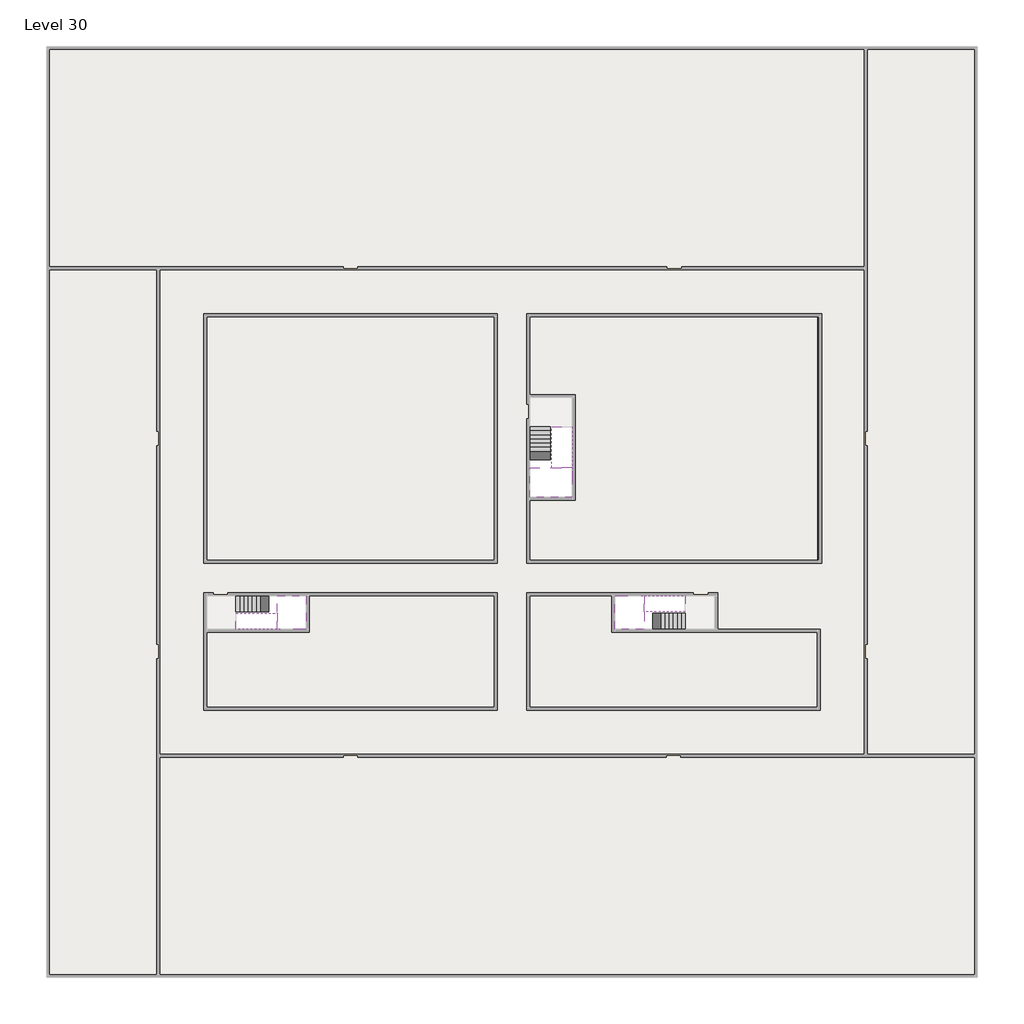
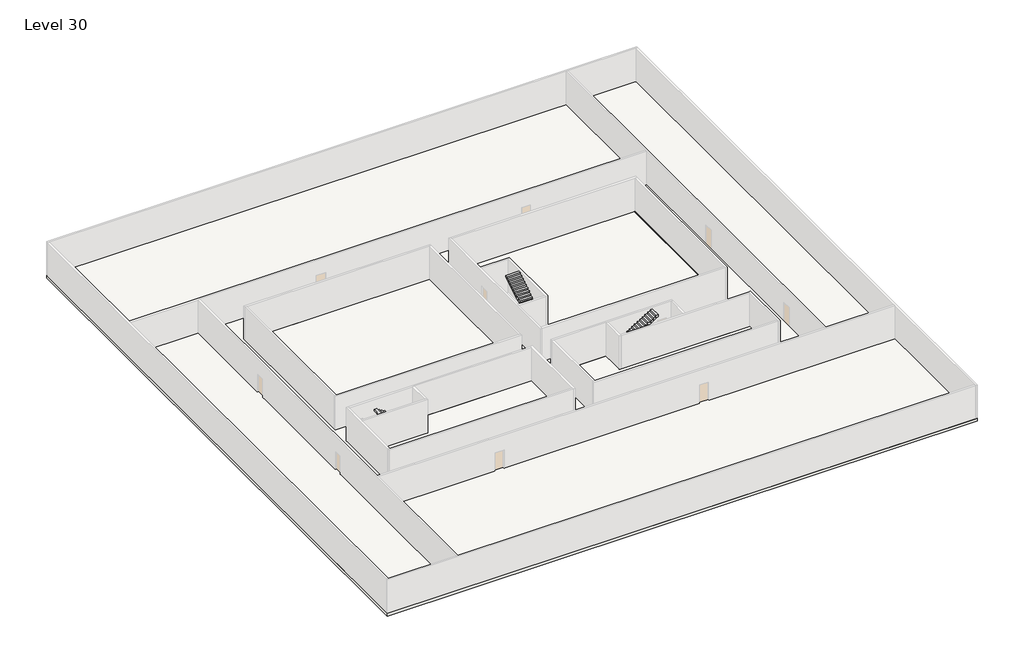
# One storey, part 2 of 2: 6 stair flights, 5 slabs.
"""IFC4 building model written with IfcOpenShell, lengths in millimetres."""

from ifc_helpers import new_model, si_unit, frame, origin, place, context, project, spatial, polyline, outline, extrude, faceted_brep, element, save

model = new_model("IFC4")

# Units and contexts
model_context = context("Model", 3, world=origin())
ifc_project = project(units=[si_unit("LENGTHUNIT", "METRE", prefix="MILLI")], contexts=[model_context])

# Site, building, storey
site = spatial("IfcSite", under=ifc_project)
building = spatial("IfcBuilding", under=site)
storey = spatial("IfcBuildingStorey", under=building, Name="Level 30", Elevation=110200.0)

# Slabs
placement = place(None, origin())
element("IfcSlab", 1, at=placement, inside=storey, context=model_context, shape_type="Brep", body=[
    faceted_brep([(8190.1058784, -42918.09644, 112100.0), (8190.1058784, -44018.09644, 112100.0), (8190.1058784, -44118.09644, 112100.0), (8190.1058784, -45218.09644, 112100.0), (8390.7194421, -45218.09644, 112100.0), (10190.1058784, -45218.09644, 112100.0), (10190.1058784, -42918.09644, 112100.0), (8269.4923146, -42918.09644, 112100.0), (8190.1058784, -42918.09644, 111927.2727273), (8190.1058784, -42918.09644, 111751.0278478), (8190.1058784, -44018.09644, 111751.0278478), (8190.1058784, -44018.09644, 111800.0), (8190.1058784, -44118.09644, 111800.0), (8190.1058784, -44118.09644, 111923.7551205), (8190.1058784, -45218.09644, 111923.7551205), (8390.7194421, -45218.09644, 111800.0), (10190.1058784, -45218.09644, 111800.0), (10190.1058784, -42918.09644, 111800.0), (8269.4923146, -42918.09644, 111800.0), (8390.7194421, -44118.09644, 111800.0), (8269.4923146, -44018.09644, 111800.0)], [[[0, 1, 2, 3, 4, 5, 6, 7]], [[1, 0, 8, 9, 10, 11]], [[2, 1, 11, 12, 13]], [[3, 2, 13, 14]], [[3, 14, 15, 16, 5, 4]], [[6, 5, 16, 17]], [[9, 8, 0, 7, 6, 17, 18]], [[19, 12, 11, 20, 18, 17, 16, 15]], [[12, 19, 13]], [[18, 20, 10, 9]], [[20, 11, 10]], [[19, 15, 14, 13]]]),
])
element("IfcSlab", 2, at=placement, inside=storey, context=model_context, shape_type="Brep", body=[
    faceted_brep([(33190.1058784, -45218.09644, 112100.0), (33190.1058784, -44118.09644, 112100.0), (33190.1058784, -44018.09644, 112100.0), (33190.1058784, -42918.09644, 112100.0), (32989.4923146, -42918.09644, 112100.0), (31190.1058784, -42918.09644, 112100.0), (31190.1058784, -45218.09644, 112100.0), (33110.7194421, -45218.09644, 112100.0), (33190.1058784, -45218.09644, 111927.2727273), (33190.1058784, -45218.09644, 111751.0278478), (33190.1058784, -44118.09644, 111751.0278478), (33190.1058784, -44118.09644, 111800.0), (33190.1058784, -44018.09644, 111800.0), (33190.1058784, -44018.09644, 111923.7551205), (33190.1058784, -42918.09644, 111923.7551205), (32989.4923146, -42918.09644, 111800.0), (31190.1058784, -42918.09644, 111800.0), (31190.1058784, -45218.09644, 111800.0), (33110.7194421, -45218.09644, 111800.0), (32989.4923146, -44018.09644, 111800.0), (33110.7194421, -44118.09644, 111800.0)], [[[0, 1, 2, 3, 4, 5, 6, 7]], [[1, 0, 8, 9, 10, 11]], [[2, 1, 11, 12, 13]], [[3, 2, 13, 14]], [[3, 14, 15, 16, 5, 4]], [[6, 5, 16, 17]], [[9, 8, 0, 7, 6, 17, 18]], [[19, 12, 11, 20, 18, 17, 16, 15]], [[12, 19, 13]], [[18, 20, 10, 9]], [[20, 11, 10]], [[19, 15, 14, 13]]]),
])
element("IfcSlab", 3, at=placement, inside=storey, context=model_context, shape_type="Brep", body=[
    faceted_brep([(26790.1058784, -34218.09644, 112100.0), (25390.1058784, -34218.09644, 112100.0), (25390.1058784, -34297.4828763, 112100.0), (25390.1058784, -36218.09644, 112100.0), (28290.1058784, -36218.09644, 112100.0), (28290.1058784, -34418.7100038, 112100.0), (28290.1058784, -34218.09644, 112100.0), (26890.1058784, -34218.09644, 112100.0), (26790.1058784, -34218.09644, 111800.0), (26790.1058784, -34218.09644, 111751.0278478), (25390.1058784, -34218.09644, 111751.0278478), (25390.1058784, -34218.09644, 111927.2727273), (25390.1058784, -34297.4828763, 111800.0), (25390.1058784, -36218.09644, 111800.0), (28290.1058784, -36218.09644, 111800.0), (28290.1058784, -34418.7100038, 111800.0), (28290.1058784, -34218.09644, 111923.7551205), (26890.1058784, -34218.09644, 111923.7551205), (26890.1058784, -34218.09644, 111800.0), (26890.1058784, -34418.7100038, 111800.0), (26790.1058784, -34297.4828763, 111800.0)], [[[0, 1, 2, 3, 4, 5, 6, 7]], [[1, 0, 8, 9, 10, 11]], [[1, 11, 10, 12, 13, 3, 2]], [[4, 3, 13, 14]], [[4, 14, 15, 16, 6, 5]], [[7, 6, 16, 17]], [[0, 7, 17, 18, 8]], [[18, 19, 15, 14, 13, 12, 20, 8]], [[19, 18, 17]], [[20, 12, 10, 9]], [[8, 20, 9]], [[15, 19, 17, 16]]]),
])
element("IfcSlab", 4, at=placement, inside=storey, context=model_context, shape_type="SweptSolid", body=[
    extrude(outline(polyline([(55890.1058784, -5518.09644), (55890.1058784, -68918.09644), (-7509.8941216, -68918.09644), (-7509.8941216, -5518.09644), (55890.1058784, -5518.09644)]), holes=[polyline([(22990.1058784, -23918.09644), (3390.1058784, -23918.09644), (3390.1058784, -40518.09644), (22990.1058784, -40518.09644), (22990.1058784, -23918.09644)]), polyline([(44990.1058784, -23918.09644), (25390.1058784, -23918.09644), (25390.1058784, -40518.09644), (44990.1058784, -40518.09644), (44990.1058784, -23918.09644)]), polyline([(37990.1058784, -42918.09644), (25390.1058784, -42918.09644), (25390.1058784, -50518.09644), (44990.1058784, -50518.09644), (44990.1058784, -45418.09644), (37990.1058784, -45418.09644), (37990.1058784, -42918.09644)]), polyline([(22990.1058784, -42918.09644), (3390.1058784, -42918.09644), (3390.1058784, -50518.09644), (22990.1058784, -50518.09644), (22990.1058784, -42918.09644)])]), frame((0.0, 0.0, 109900.0), z_axis=(0.0, 0.0, 1.0), x_axis=(1.0, 0.0, 0.0)), (0.0, 0.0, 1.0), 300.0),
])
element("IfcSlab", 5, at=placement, inside=storey, context=model_context, shape_type="SweptSolid", body=[
    extrude(outline(polyline([(22990.1058784, -23918.09644), (22990.1058784, -40518.09644), (3390.1058784, -40518.09644), (3390.1058784, -23918.09644), (22990.1058784, -23918.09644)])), frame((0.0, 0.0, 109900.0), z_axis=(0.0, 0.0, 1.0), x_axis=(1.0, 0.0, 0.0)), (0.0, 0.0, 1.0), 300.0),
    extrude(outline(polyline([(44990.1058784, -23918.09644), (44990.1058784, -40518.09644), (25390.1058784, -40518.09644), (25390.1058784, -36418.09644), (28490.1058784, -36418.09644), (28490.1058784, -29218.09644), (25390.1058784, -29218.09644), (25390.1058784, -23918.09644), (44990.1058784, -23918.09644)])), frame((0.0, 0.0, 109900.0), z_axis=(0.0, 0.0, 1.0), x_axis=(1.0, 0.0, 0.0)), (0.0, 0.0, 1.0), 300.0),
    extrude(outline(polyline([(22990.1058784, -42918.09644), (22990.1058784, -50518.09644), (3390.1058784, -50518.09644), (3390.1058784, -45418.09644), (10390.1058784, -45418.09644), (10390.1058784, -42918.09644), (22990.1058784, -42918.09644)])), frame((0.0, 0.0, 109900.0), z_axis=(0.0, 0.0, 1.0), x_axis=(1.0, 0.0, 0.0)), (0.0, 0.0, 1.0), 300.0),
    extrude(outline(polyline([(30990.1058784, -42918.09644), (30990.1058784, -45418.09644), (44990.1058784, -45418.09644), (44990.1058784, -50518.09644), (25390.1058784, -50518.09644), (25390.1058784, -42918.09644), (30990.1058784, -42918.09644)])), frame((0.0, 0.0, 109900.0), z_axis=(0.0, 0.0, 1.0), x_axis=(1.0, 0.0, 0.0)), (0.0, 0.0, 1.0), 300.0),
])

# Stair flights
element("IfcStairFlight", 6, at=placement, inside=storey, context=model_context, shape_type="Brep", body=[
    faceted_brep([(5670.1058784, -42918.09644, 110372.7272727), (5390.1058784, -42918.09644, 110372.7272727), (5390.1058784, -44018.09644, 110372.7272727), (5670.1058784, -44018.09644, 110372.7272727), (5670.1058784, -42918.09644, 110200.0), (5390.1058784, -42918.09644, 110200.0), (5390.1058784, -44018.09644, 110200.0), (5670.1058784, -44018.09644, 110200.0), (5950.1058784, -42918.09644, 110545.4545455), (5670.1058784, -42918.09644, 110545.4545455), (5670.1058784, -44018.09644, 110545.4545455), (5950.1058784, -44018.09644, 110545.4545455), (5950.1058784, -42918.09644, 110369.209666), (5675.8081041, -42918.09644, 110200.0), (5675.8081041, -44018.09644, 110200.0), (5950.1058784, -44018.09644, 110369.209666), (6230.1058784, -42918.09644, 110718.1818182), (5950.1058784, -42918.09644, 110718.1818182), (5950.1058784, -44018.09644, 110718.1818182), (6230.1058784, -44018.09644, 110718.1818182), (6230.1058784, -42918.09644, 110541.9369387), (6230.1058784, -44018.09644, 110541.9369387), (6510.1058784, -42918.09644, 110890.9090909), (6230.1058784, -42918.09644, 110890.9090909), (6230.1058784, -44018.09644, 110890.9090909), (6510.1058784, -44018.09644, 110890.9090909), (6510.1058784, -42918.09644, 110714.6642114), (6510.1058784, -44018.09644, 110714.6642114), (6790.1058784, -42918.09644, 111063.6363636), (6510.1058784, -42918.09644, 111063.6363636), (6510.1058784, -44018.09644, 111063.6363636), (6790.1058784, -44018.09644, 111063.6363636), (6790.1058784, -42918.09644, 110887.3914841), (6790.1058784, -44018.09644, 110887.3914841), (7070.1058784, -42918.09644, 111236.3636364), (6790.1058784, -42918.09644, 111236.3636364), (6790.1058784, -44018.09644, 111236.3636364), (7070.1058784, -44018.09644, 111236.3636364), (7070.1058784, -42918.09644, 111060.1187569), (7070.1058784, -44018.09644, 111060.1187569), (7350.1058784, -42918.09644, 111409.0909091), (7070.1058784, -42918.09644, 111409.0909091), (7070.1058784, -44018.09644, 111409.0909091), (7350.1058784, -44018.09644, 111409.0909091), (7350.1058784, -42918.09644, 111232.8460296), (7350.1058784, -44018.09644, 111232.8460296), (7630.1058784, -42918.09644, 111581.8181818), (7350.1058784, -42918.09644, 111581.8181818), (7350.1058784, -44018.09644, 111581.8181818), (7630.1058784, -44018.09644, 111581.8181818), (7630.1058784, -42918.09644, 111405.5733023), (7630.1058784, -44018.09644, 111405.5733023), (7910.1058784, -42918.09644, 111754.5454545), (7630.1058784, -42918.09644, 111754.5454545), (7630.1058784, -44018.09644, 111754.5454545), (7910.1058784, -44018.09644, 111754.5454545), (7910.1058784, -42918.09644, 111578.3005751), (7910.1058784, -44018.09644, 111578.3005751), (8190.1058784, -42918.09644, 111927.2727273), (7910.1058784, -42918.09644, 111927.2727273), (7910.1058784, -44018.09644, 111927.2727273), (8190.1058784, -44018.09644, 111927.2727273), (8190.1058784, -42918.09644, 111751.0278478), (8190.1058784, -44018.09644, 111751.0278478), (8190.1058784, -44018.09644, 111800.0)], [[[0, 1, 2, 3]], [[1, 0, 4, 5]], [[2, 1, 5, 6]], [[3, 2, 6, 7]], [[8, 9, 10, 11]], [[4, 0, 9, 8, 12, 13]], [[0, 3, 10, 9]], [[3, 7, 14, 15, 11, 10]], [[16, 17, 18, 19]], [[17, 16, 20, 12, 8]], [[8, 11, 18, 17]], [[19, 18, 11, 15, 21]], [[22, 23, 24, 25]], [[23, 22, 26, 20, 16]], [[16, 19, 24, 23]], [[25, 24, 19, 21, 27]], [[28, 29, 30, 31]], [[29, 28, 32, 26, 22]], [[22, 25, 30, 29]], [[31, 30, 25, 27, 33]], [[34, 35, 36, 37]], [[35, 34, 38, 32, 28]], [[28, 31, 36, 35]], [[37, 36, 31, 33, 39]], [[40, 41, 42, 43]], [[41, 40, 44, 38, 34]], [[34, 37, 42, 41]], [[43, 42, 37, 39, 45]], [[46, 47, 48, 49]], [[47, 46, 50, 44, 40]], [[40, 43, 48, 47]], [[49, 48, 43, 45, 51]], [[52, 53, 54, 55]], [[53, 52, 56, 50, 46]], [[46, 49, 54, 53]], [[55, 54, 49, 51, 57]], [[58, 59, 60, 61]], [[59, 58, 62, 56, 52]], [[52, 55, 60, 59]], [[61, 60, 55, 57, 63, 64]], [[58, 61, 64, 63, 62]], [[5, 4, 13, 14, 7, 6]], [[14, 13, 12, 20, 26, 32, 38, 44, 50, 56, 62, 63, 57, 51, 45, 39, 33, 27, 21, 15]]]),
])
element("IfcStairFlight", 7, at=placement, inside=storey, context=model_context, shape_type="Brep", body=[
    faceted_brep([(7910.1058784, -45218.09644, 112272.7272727), (8190.1058784, -45218.09644, 112272.7272727), (8190.1058784, -44118.09644, 112272.7272727), (7910.1058784, -44118.09644, 112272.7272727), (7910.1058784, -45218.09644, 112096.4823932), (8190.1058784, -45218.09644, 111923.7551205), (8190.1058784, -45218.09644, 112100.0), (8190.1058784, -44118.09644, 111923.7551205), (7910.1058784, -44118.09644, 112096.4823932), (7630.1058784, -45218.09644, 112445.4545455), (7910.1058784, -45218.09644, 112445.4545455), (7910.1058784, -44118.09644, 112445.4545455), (7630.1058784, -44118.09644, 112445.4545455), (7630.1058784, -45218.09644, 112269.209666), (7630.1058784, -44118.09644, 112269.209666), (7350.1058784, -45218.09644, 112618.1818182), (7630.1058784, -45218.09644, 112618.1818182), (7630.1058784, -44118.09644, 112618.1818182), (7350.1058784, -44118.09644, 112618.1818182), (7350.1058784, -45218.09644, 112441.9369387), (7350.1058784, -44118.09644, 112441.9369387), (7070.1058784, -45218.09644, 112790.9090909), (7350.1058784, -45218.09644, 112790.9090909), (7350.1058784, -44118.09644, 112790.9090909), (7070.1058784, -44118.09644, 112790.9090909), (7070.1058784, -45218.09644, 112614.6642114), (7070.1058784, -44118.09644, 112614.6642114), (6790.1058784, -45218.09644, 112963.6363636), (7070.1058784, -45218.09644, 112963.6363636), (7070.1058784, -44118.09644, 112963.6363636), (6790.1058784, -44118.09644, 112963.6363636), (6790.1058784, -45218.09644, 112787.3914841), (6790.1058784, -44118.09644, 112787.3914841), (6510.1058784, -45218.09644, 113136.3636364), (6790.1058784, -45218.09644, 113136.3636364), (6790.1058784, -44118.09644, 113136.3636364), (6510.1058784, -44118.09644, 113136.3636364), (6510.1058784, -45218.09644, 112960.1187569), (6510.1058784, -44118.09644, 112960.1187569), (6230.1058784, -45218.09644, 113309.0909091), (6510.1058784, -45218.09644, 113309.0909091), (6510.1058784, -44118.09644, 113309.0909091), (6230.1058784, -44118.09644, 113309.0909091), (6230.1058784, -45218.09644, 113132.8460296), (6230.1058784, -44118.09644, 113132.8460296), (5950.1058784, -45218.09644, 113481.8181818), (6230.1058784, -45218.09644, 113481.8181818), (6230.1058784, -44118.09644, 113481.8181818), (5950.1058784, -44118.09644, 113481.8181818), (5950.1058784, -45218.09644, 113305.5733023), (5950.1058784, -44118.09644, 113305.5733023), (5670.1058784, -45218.09644, 113654.5454545), (5950.1058784, -45218.09644, 113654.5454545), (5950.1058784, -44118.09644, 113654.5454545), (5670.1058784, -44118.09644, 113654.5454545), (5670.1058784, -45218.09644, 113478.3005751), (5670.1058784, -44118.09644, 113478.3005751), (5390.1058784, -45218.09644, 113827.2727273), (5670.1058784, -45218.09644, 113827.2727273), (5670.1058784, -44118.09644, 113827.2727273), (5390.1058784, -44118.09644, 113827.2727273), (5390.1058784, -45218.09644, 113651.0278478), (5390.1058784, -44118.09644, 113651.0278478)], [[[0, 1, 2, 3]], [[1, 0, 4, 5, 6]], [[2, 1, 6, 5, 7]], [[3, 2, 7, 8]], [[9, 10, 11, 12]], [[10, 9, 13, 4, 0]], [[11, 10, 0, 3]], [[12, 11, 3, 8, 14]], [[15, 16, 17, 18]], [[16, 15, 19, 13, 9]], [[17, 16, 9, 12]], [[18, 17, 12, 14, 20]], [[21, 22, 23, 24]], [[22, 21, 25, 19, 15]], [[23, 22, 15, 18]], [[24, 23, 18, 20, 26]], [[27, 28, 29, 30]], [[28, 27, 31, 25, 21]], [[29, 28, 21, 24]], [[30, 29, 24, 26, 32]], [[33, 34, 35, 36]], [[34, 33, 37, 31, 27]], [[35, 34, 27, 30]], [[36, 35, 30, 32, 38]], [[39, 40, 41, 42]], [[40, 39, 43, 37, 33]], [[41, 40, 33, 36]], [[42, 41, 36, 38, 44]], [[45, 46, 47, 48]], [[46, 45, 49, 43, 39]], [[47, 46, 39, 42]], [[48, 47, 42, 44, 50]], [[51, 52, 53, 54]], [[52, 51, 55, 49, 45]], [[53, 52, 45, 48]], [[54, 53, 48, 50, 56]], [[57, 58, 59, 60]], [[58, 57, 61, 55, 51]], [[59, 58, 51, 54]], [[60, 59, 54, 56, 62]], [[57, 60, 62, 61]], [[5, 4, 13, 19, 25, 31, 37, 43, 49, 55, 61, 62, 56, 50, 44, 38, 32, 26, 20, 14, 8, 7]]]),
])
element("IfcStairFlight", 8, at=placement, inside=storey, context=model_context, shape_type="Brep", body=[
    faceted_brep([(35710.1058784, -45218.09644, 110372.7272727), (35990.1058784, -45218.09644, 110372.7272727), (35990.1058784, -44118.09644, 110372.7272727), (35710.1058784, -44118.09644, 110372.7272727), (35710.1058784, -45218.09644, 110200.0), (35990.1058784, -45218.09644, 110200.0), (35990.1058784, -44118.09644, 110200.0), (35710.1058784, -44118.09644, 110200.0), (35430.1058784, -45218.09644, 110545.4545455), (35710.1058784, -45218.09644, 110545.4545455), (35710.1058784, -44118.09644, 110545.4545455), (35430.1058784, -44118.09644, 110545.4545455), (35430.1058784, -45218.09644, 110369.209666), (35704.4036527, -45218.09644, 110200.0), (35704.4036527, -44118.09644, 110200.0), (35430.1058784, -44118.09644, 110369.209666), (35150.1058784, -45218.09644, 110718.1818182), (35430.1058784, -45218.09644, 110718.1818182), (35430.1058784, -44118.09644, 110718.1818182), (35150.1058784, -44118.09644, 110718.1818182), (35150.1058784, -45218.09644, 110541.9369387), (35150.1058784, -44118.09644, 110541.9369387), (34870.1058784, -45218.09644, 110890.9090909), (35150.1058784, -45218.09644, 110890.9090909), (35150.1058784, -44118.09644, 110890.9090909), (34870.1058784, -44118.09644, 110890.9090909), (34870.1058784, -45218.09644, 110714.6642114), (34870.1058784, -44118.09644, 110714.6642114), (34590.1058784, -45218.09644, 111063.6363636), (34870.1058784, -45218.09644, 111063.6363636), (34870.1058784, -44118.09644, 111063.6363636), (34590.1058784, -44118.09644, 111063.6363636), (34590.1058784, -45218.09644, 110887.3914841), (34590.1058784, -44118.09644, 110887.3914841), (34310.1058784, -45218.09644, 111236.3636364), (34590.1058784, -45218.09644, 111236.3636364), (34590.1058784, -44118.09644, 111236.3636364), (34310.1058784, -44118.09644, 111236.3636364), (34310.1058784, -45218.09644, 111060.1187569), (34310.1058784, -44118.09644, 111060.1187569), (34030.1058784, -45218.09644, 111409.0909091), (34310.1058784, -45218.09644, 111409.0909091), (34310.1058784, -44118.09644, 111409.0909091), (34030.1058784, -44118.09644, 111409.0909091), (34030.1058784, -45218.09644, 111232.8460296), (34030.1058784, -44118.09644, 111232.8460296), (33750.1058784, -45218.09644, 111581.8181818), (34030.1058784, -45218.09644, 111581.8181818), (34030.1058784, -44118.09644, 111581.8181818), (33750.1058784, -44118.09644, 111581.8181818), (33750.1058784, -45218.09644, 111405.5733023), (33750.1058784, -44118.09644, 111405.5733023), (33470.1058784, -45218.09644, 111754.5454545), (33750.1058784, -45218.09644, 111754.5454545), (33750.1058784, -44118.09644, 111754.5454545), (33470.1058784, -44118.09644, 111754.5454545), (33470.1058784, -45218.09644, 111578.3005751), (33470.1058784, -44118.09644, 111578.3005751), (33190.1058784, -45218.09644, 111927.2727273), (33470.1058784, -45218.09644, 111927.2727273), (33470.1058784, -44118.09644, 111927.2727273), (33190.1058784, -44118.09644, 111927.2727273), (33190.1058784, -45218.09644, 111751.0278478), (33190.1058784, -44118.09644, 111751.0278478), (33190.1058784, -44118.09644, 111800.0)], [[[0, 1, 2, 3]], [[1, 0, 4, 5]], [[2, 1, 5, 6]], [[3, 2, 6, 7]], [[8, 9, 10, 11]], [[4, 0, 9, 8, 12, 13]], [[0, 3, 10, 9]], [[3, 7, 14, 15, 11, 10]], [[16, 17, 18, 19]], [[17, 16, 20, 12, 8]], [[8, 11, 18, 17]], [[19, 18, 11, 15, 21]], [[22, 23, 24, 25]], [[23, 22, 26, 20, 16]], [[16, 19, 24, 23]], [[25, 24, 19, 21, 27]], [[28, 29, 30, 31]], [[29, 28, 32, 26, 22]], [[22, 25, 30, 29]], [[31, 30, 25, 27, 33]], [[34, 35, 36, 37]], [[35, 34, 38, 32, 28]], [[28, 31, 36, 35]], [[37, 36, 31, 33, 39]], [[40, 41, 42, 43]], [[41, 40, 44, 38, 34]], [[34, 37, 42, 41]], [[43, 42, 37, 39, 45]], [[46, 47, 48, 49]], [[47, 46, 50, 44, 40]], [[40, 43, 48, 47]], [[49, 48, 43, 45, 51]], [[52, 53, 54, 55]], [[53, 52, 56, 50, 46]], [[46, 49, 54, 53]], [[55, 54, 49, 51, 57]], [[58, 59, 60, 61]], [[59, 58, 62, 56, 52]], [[52, 55, 60, 59]], [[61, 60, 55, 57, 63, 64]], [[58, 61, 64, 63, 62]], [[5, 4, 13, 14, 7, 6]], [[14, 13, 12, 20, 26, 32, 38, 44, 50, 56, 62, 63, 57, 51, 45, 39, 33, 27, 21, 15]]]),
])
element("IfcStairFlight", 9, at=placement, inside=storey, context=model_context, shape_type="Brep", body=[
    faceted_brep([(33470.1058784, -42918.09644, 112272.7272727), (33190.1058784, -42918.09644, 112272.7272727), (33190.1058784, -44018.09644, 112272.7272727), (33470.1058784, -44018.09644, 112272.7272727), (33470.1058784, -42918.09644, 112096.4823932), (33190.1058784, -42918.09644, 111923.7551205), (33190.1058784, -42918.09644, 112100.0), (33190.1058784, -44018.09644, 111923.7551205), (33470.1058784, -44018.09644, 112096.4823932), (33750.1058784, -42918.09644, 112445.4545455), (33470.1058784, -42918.09644, 112445.4545455), (33470.1058784, -44018.09644, 112445.4545455), (33750.1058784, -44018.09644, 112445.4545455), (33750.1058784, -42918.09644, 112269.209666), (33750.1058784, -44018.09644, 112269.209666), (34030.1058784, -42918.09644, 112618.1818182), (33750.1058784, -42918.09644, 112618.1818182), (33750.1058784, -44018.09644, 112618.1818182), (34030.1058784, -44018.09644, 112618.1818182), (34030.1058784, -42918.09644, 112441.9369387), (34030.1058784, -44018.09644, 112441.9369387), (34310.1058784, -42918.09644, 112790.9090909), (34030.1058784, -42918.09644, 112790.9090909), (34030.1058784, -44018.09644, 112790.9090909), (34310.1058784, -44018.09644, 112790.9090909), (34310.1058784, -42918.09644, 112614.6642114), (34310.1058784, -44018.09644, 112614.6642114), (34590.1058784, -42918.09644, 112963.6363636), (34310.1058784, -42918.09644, 112963.6363636), (34310.1058784, -44018.09644, 112963.6363636), (34590.1058784, -44018.09644, 112963.6363636), (34590.1058784, -42918.09644, 112787.3914841), (34590.1058784, -44018.09644, 112787.3914841), (34870.1058784, -42918.09644, 113136.3636364), (34590.1058784, -42918.09644, 113136.3636364), (34590.1058784, -44018.09644, 113136.3636364), (34870.1058784, -44018.09644, 113136.3636364), (34870.1058784, -42918.09644, 112960.1187569), (34870.1058784, -44018.09644, 112960.1187569), (35150.1058784, -42918.09644, 113309.0909091), (34870.1058784, -42918.09644, 113309.0909091), (34870.1058784, -44018.09644, 113309.0909091), (35150.1058784, -44018.09644, 113309.0909091), (35150.1058784, -42918.09644, 113132.8460296), (35150.1058784, -44018.09644, 113132.8460296), (35430.1058784, -42918.09644, 113481.8181818), (35150.1058784, -42918.09644, 113481.8181818), (35150.1058784, -44018.09644, 113481.8181818), (35430.1058784, -44018.09644, 113481.8181818), (35430.1058784, -42918.09644, 113305.5733023), (35430.1058784, -44018.09644, 113305.5733023), (35710.1058784, -42918.09644, 113654.5454545), (35430.1058784, -42918.09644, 113654.5454545), (35430.1058784, -44018.09644, 113654.5454545), (35710.1058784, -44018.09644, 113654.5454545), (35710.1058784, -42918.09644, 113478.3005751), (35710.1058784, -44018.09644, 113478.3005751), (35990.1058784, -42918.09644, 113827.2727273), (35710.1058784, -42918.09644, 113827.2727273), (35710.1058784, -44018.09644, 113827.2727273), (35990.1058784, -44018.09644, 113827.2727273), (35990.1058784, -42918.09644, 113651.0278478), (35990.1058784, -44018.09644, 113651.0278478)], [[[0, 1, 2, 3]], [[1, 0, 4, 5, 6]], [[2, 1, 6, 5, 7]], [[3, 2, 7, 8]], [[9, 10, 11, 12]], [[10, 9, 13, 4, 0]], [[11, 10, 0, 3]], [[12, 11, 3, 8, 14]], [[15, 16, 17, 18]], [[16, 15, 19, 13, 9]], [[17, 16, 9, 12]], [[18, 17, 12, 14, 20]], [[21, 22, 23, 24]], [[22, 21, 25, 19, 15]], [[23, 22, 15, 18]], [[24, 23, 18, 20, 26]], [[27, 28, 29, 30]], [[28, 27, 31, 25, 21]], [[29, 28, 21, 24]], [[30, 29, 24, 26, 32]], [[33, 34, 35, 36]], [[34, 33, 37, 31, 27]], [[35, 34, 27, 30]], [[36, 35, 30, 32, 38]], [[39, 40, 41, 42]], [[40, 39, 43, 37, 33]], [[41, 40, 33, 36]], [[42, 41, 36, 38, 44]], [[45, 46, 47, 48]], [[46, 45, 49, 43, 39]], [[47, 46, 39, 42]], [[48, 47, 42, 44, 50]], [[51, 52, 53, 54]], [[52, 51, 55, 49, 45]], [[53, 52, 45, 48]], [[54, 53, 48, 50, 56]], [[57, 58, 59, 60]], [[58, 57, 61, 55, 51]], [[59, 58, 51, 54]], [[60, 59, 54, 56, 62]], [[57, 60, 62, 61]], [[5, 4, 13, 19, 25, 31, 37, 43, 49, 55, 61, 62, 56, 50, 44, 38, 32, 26, 20, 14, 8, 7]]]),
])
element("IfcStairFlight", 10, at=placement, inside=storey, context=model_context, shape_type="Brep", body=[
    faceted_brep([(26790.1058784, -31698.09644, 110372.7272727), (26790.1058784, -31418.09644, 110372.7272727), (25390.1058784, -31418.09644, 110372.7272727), (25390.1058784, -31698.09644, 110372.7272727), (26790.1058784, -31698.09644, 110200.0), (26790.1058784, -31418.09644, 110200.0), (25390.1058784, -31418.09644, 110200.0), (25390.1058784, -31698.09644, 110200.0), (26790.1058784, -31978.09644, 110545.4545455), (26790.1058784, -31698.09644, 110545.4545455), (25390.1058784, -31698.09644, 110545.4545455), (25390.1058784, -31978.09644, 110545.4545455), (26790.1058784, -31978.09644, 110369.209666), (26790.1058784, -31703.7986657, 110200.0), (25390.1058784, -31703.7986657, 110200.0), (25390.1058784, -31978.09644, 110369.209666), (26790.1058784, -32258.09644, 110718.1818182), (26790.1058784, -31978.09644, 110718.1818182), (25390.1058784, -31978.09644, 110718.1818182), (25390.1058784, -32258.09644, 110718.1818182), (26790.1058784, -32258.09644, 110541.9369387), (25390.1058784, -32258.09644, 110541.9369387), (26790.1058784, -32538.09644, 110890.9090909), (26790.1058784, -32258.09644, 110890.9090909), (25390.1058784, -32258.09644, 110890.9090909), (25390.1058784, -32538.09644, 110890.9090909), (26790.1058784, -32538.09644, 110714.6642114), (25390.1058784, -32538.09644, 110714.6642114), (26790.1058784, -32818.09644, 111063.6363636), (26790.1058784, -32538.09644, 111063.6363636), (25390.1058784, -32538.09644, 111063.6363636), (25390.1058784, -32818.09644, 111063.6363636), (26790.1058784, -32818.09644, 110887.3914841), (25390.1058784, -32818.09644, 110887.3914841), (26790.1058784, -33098.09644, 111236.3636364), (26790.1058784, -32818.09644, 111236.3636364), (25390.1058784, -32818.09644, 111236.3636364), (25390.1058784, -33098.09644, 111236.3636364), (26790.1058784, -33098.09644, 111060.1187569), (25390.1058784, -33098.09644, 111060.1187569), (26790.1058784, -33378.09644, 111409.0909091), (26790.1058784, -33098.09644, 111409.0909091), (25390.1058784, -33098.09644, 111409.0909091), (25390.1058784, -33378.09644, 111409.0909091), (26790.1058784, -33378.09644, 111232.8460296), (25390.1058784, -33378.09644, 111232.8460296), (26790.1058784, -33658.09644, 111581.8181818), (26790.1058784, -33378.09644, 111581.8181818), (25390.1058784, -33378.09644, 111581.8181818), (25390.1058784, -33658.09644, 111581.8181818), (26790.1058784, -33658.09644, 111405.5733023), (25390.1058784, -33658.09644, 111405.5733023), (26790.1058784, -33938.09644, 111754.5454545), (26790.1058784, -33658.09644, 111754.5454545), (25390.1058784, -33658.09644, 111754.5454545), (25390.1058784, -33938.09644, 111754.5454545), (26790.1058784, -33938.09644, 111578.3005751), (25390.1058784, -33938.09644, 111578.3005751), (26790.1058784, -34218.09644, 111927.2727273), (26790.1058784, -33938.09644, 111927.2727273), (25390.1058784, -33938.09644, 111927.2727273), (25390.1058784, -34218.09644, 111927.2727273), (26790.1058784, -34218.09644, 111800.0), (26790.1058784, -34218.09644, 111751.0278478), (25390.1058784, -34218.09644, 111751.0278478)], [[[0, 1, 2, 3]], [[1, 0, 4, 5]], [[2, 1, 5, 6]], [[3, 2, 6, 7]], [[8, 9, 10, 11]], [[4, 0, 9, 8, 12, 13]], [[0, 3, 10, 9]], [[3, 7, 14, 15, 11, 10]], [[16, 17, 18, 19]], [[17, 16, 20, 12, 8]], [[8, 11, 18, 17]], [[19, 18, 11, 15, 21]], [[22, 23, 24, 25]], [[23, 22, 26, 20, 16]], [[16, 19, 24, 23]], [[25, 24, 19, 21, 27]], [[28, 29, 30, 31]], [[29, 28, 32, 26, 22]], [[22, 25, 30, 29]], [[31, 30, 25, 27, 33]], [[34, 35, 36, 37]], [[35, 34, 38, 32, 28]], [[28, 31, 36, 35]], [[37, 36, 31, 33, 39]], [[40, 41, 42, 43]], [[41, 40, 44, 38, 34]], [[34, 37, 42, 41]], [[43, 42, 37, 39, 45]], [[46, 47, 48, 49]], [[47, 46, 50, 44, 40]], [[40, 43, 48, 47]], [[49, 48, 43, 45, 51]], [[52, 53, 54, 55]], [[53, 52, 56, 50, 46]], [[46, 49, 54, 53]], [[55, 54, 49, 51, 57]], [[58, 59, 60, 61]], [[59, 58, 62, 63, 56, 52]], [[52, 55, 60, 59]], [[61, 60, 55, 57, 64]], [[58, 61, 64, 63, 62]], [[5, 4, 13, 14, 7, 6]], [[14, 13, 12, 20, 26, 32, 38, 44, 50, 56, 63, 64, 57, 51, 45, 39, 33, 27, 21, 15]]]),
])
element("IfcStairFlight", 11, at=placement, inside=storey, context=model_context, shape_type="Brep", body=[
    faceted_brep([(26890.1058784, -33938.09644, 112272.7272727), (26890.1058784, -34218.09644, 112272.7272727), (28290.1058784, -34218.09644, 112272.7272727), (28290.1058784, -33938.09644, 112272.7272727), (26890.1058784, -33938.09644, 112096.4823932), (26890.1058784, -34218.09644, 111923.7551205), (28290.1058784, -34218.09644, 111923.7551205), (28290.1058784, -34218.09644, 112100.0), (28290.1058784, -33938.09644, 112096.4823932), (26890.1058784, -33658.09644, 112445.4545455), (26890.1058784, -33938.09644, 112445.4545455), (28290.1058784, -33938.09644, 112445.4545455), (28290.1058784, -33658.09644, 112445.4545455), (26890.1058784, -33658.09644, 112269.209666), (28290.1058784, -33658.09644, 112269.209666), (26890.1058784, -33378.09644, 112618.1818182), (26890.1058784, -33658.09644, 112618.1818182), (28290.1058784, -33658.09644, 112618.1818182), (28290.1058784, -33378.09644, 112618.1818182), (26890.1058784, -33378.09644, 112441.9369387), (28290.1058784, -33378.09644, 112441.9369387), (26890.1058784, -33098.09644, 112790.9090909), (26890.1058784, -33378.09644, 112790.9090909), (28290.1058784, -33378.09644, 112790.9090909), (28290.1058784, -33098.09644, 112790.9090909), (26890.1058784, -33098.09644, 112614.6642114), (28290.1058784, -33098.09644, 112614.6642114), (26890.1058784, -32818.09644, 112963.6363636), (26890.1058784, -33098.09644, 112963.6363636), (28290.1058784, -33098.09644, 112963.6363636), (28290.1058784, -32818.09644, 112963.6363636), (26890.1058784, -32818.09644, 112787.3914841), (28290.1058784, -32818.09644, 112787.3914841), (26890.1058784, -32538.09644, 113136.3636364), (26890.1058784, -32818.09644, 113136.3636364), (28290.1058784, -32818.09644, 113136.3636364), (28290.1058784, -32538.09644, 113136.3636364), (26890.1058784, -32538.09644, 112960.1187569), (28290.1058784, -32538.09644, 112960.1187569), (26890.1058784, -32258.09644, 113309.0909091), (26890.1058784, -32538.09644, 113309.0909091), (28290.1058784, -32538.09644, 113309.0909091), (28290.1058784, -32258.09644, 113309.0909091), (26890.1058784, -32258.09644, 113132.8460296), (28290.1058784, -32258.09644, 113132.8460296), (26890.1058784, -31978.09644, 113481.8181818), (26890.1058784, -32258.09644, 113481.8181818), (28290.1058784, -32258.09644, 113481.8181818), (28290.1058784, -31978.09644, 113481.8181818), (26890.1058784, -31978.09644, 113305.5733023), (28290.1058784, -31978.09644, 113305.5733023), (26890.1058784, -31698.09644, 113654.5454545), (26890.1058784, -31978.09644, 113654.5454545), (28290.1058784, -31978.09644, 113654.5454545), (28290.1058784, -31698.09644, 113654.5454545), (26890.1058784, -31698.09644, 113478.3005751), (28290.1058784, -31698.09644, 113478.3005751), (26890.1058784, -31418.09644, 113827.2727273), (26890.1058784, -31698.09644, 113827.2727273), (28290.1058784, -31698.09644, 113827.2727273), (28290.1058784, -31418.09644, 113827.2727273), (26890.1058784, -31418.09644, 113651.0278478), (28290.1058784, -31418.09644, 113651.0278478)], [[[0, 1, 2, 3]], [[1, 0, 4, 5]], [[2, 1, 5, 6, 7]], [[3, 2, 7, 6, 8]], [[9, 10, 11, 12]], [[10, 9, 13, 4, 0]], [[11, 10, 0, 3]], [[12, 11, 3, 8, 14]], [[15, 16, 17, 18]], [[16, 15, 19, 13, 9]], [[17, 16, 9, 12]], [[18, 17, 12, 14, 20]], [[21, 22, 23, 24]], [[22, 21, 25, 19, 15]], [[23, 22, 15, 18]], [[24, 23, 18, 20, 26]], [[27, 28, 29, 30]], [[28, 27, 31, 25, 21]], [[29, 28, 21, 24]], [[30, 29, 24, 26, 32]], [[33, 34, 35, 36]], [[34, 33, 37, 31, 27]], [[35, 34, 27, 30]], [[36, 35, 30, 32, 38]], [[39, 40, 41, 42]], [[40, 39, 43, 37, 33]], [[41, 40, 33, 36]], [[42, 41, 36, 38, 44]], [[45, 46, 47, 48]], [[46, 45, 49, 43, 39]], [[47, 46, 39, 42]], [[48, 47, 42, 44, 50]], [[51, 52, 53, 54]], [[52, 51, 55, 49, 45]], [[53, 52, 45, 48]], [[54, 53, 48, 50, 56]], [[57, 58, 59, 60]], [[58, 57, 61, 55, 51]], [[59, 58, 51, 54]], [[60, 59, 54, 56, 62]], [[57, 60, 62, 61]], [[5, 4, 13, 19, 25, 31, 37, 43, 49, 55, 61, 62, 56, 50, 44, 38, 32, 26, 20, 14, 8, 6]]]),
])

save(model, "model.ifc")
